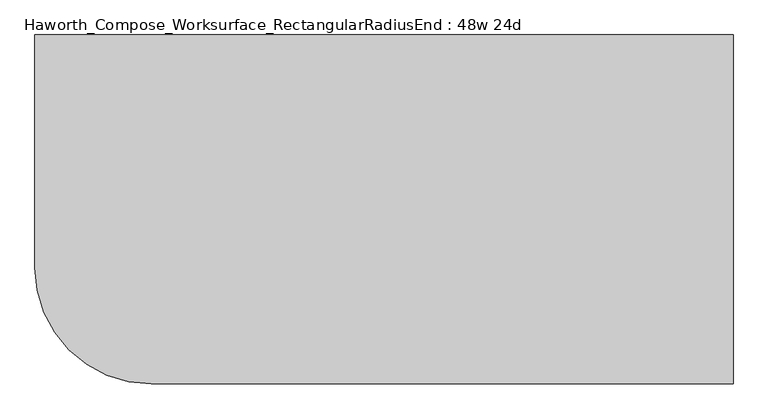
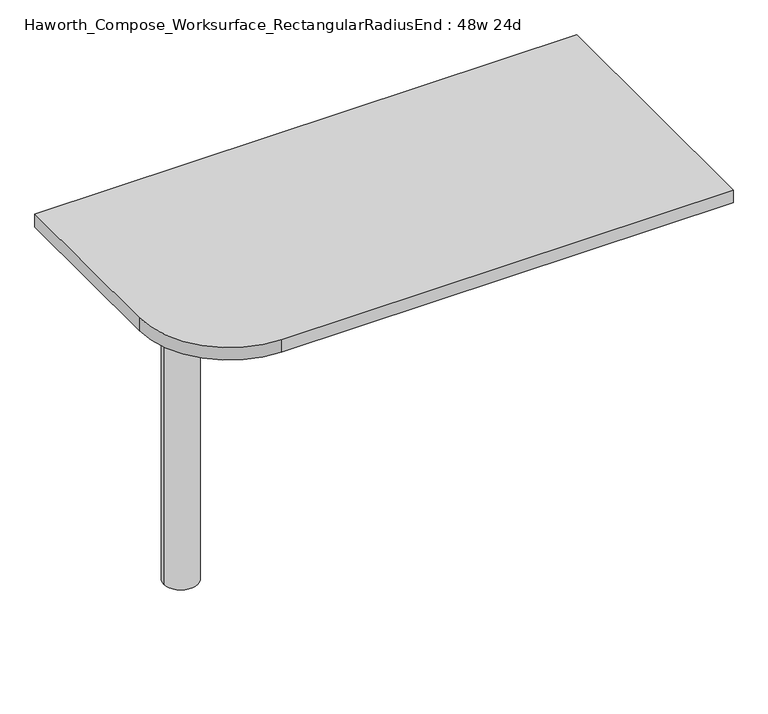
"""IFC4 building model written with IfcOpenShell, lengths in millimetres: furniture geometry, Haworth_Compose_Worksurface_RectangularRadiusEnd : 48w 24d."""

from ifc_helpers import new_model, si_unit, point, frame, frame_2d, origin, place, context, project, spatial, polyline, circle_curve, trimmed, segment, composite_curve, outline, extrude, source, transform, mapped, element, save
from ifc_brep_helpers import plane_surface, cylinder_surface, revolved_surface, advanced_brep


def haworth_compose_worksurface_rectangularradiusend_48w_24d_3b0e8874(model_context):
    return source(origin(), model_context, "Body", "SolidModel", [
        advanced_brep(
        [(604.04375, 304.8, 475.45625), (604.04375, 288.925, 475.45625), (604.04375, -101.6, 691.7192568), (604.04375, -101.6, 704.05625), (604.04375, 288.925, 704.05625), (604.04375, 304.8, 704.05625), (604.04375, 221.490072, 665.95625), (604.04375, 177.8355284, 665.95625), (604.04375, 175.1564235, 656.3705539), (604.04375, 266.8776173, 605.5776439), (604.04375, 276.225, 611.1756969), (604.04375, 276.225, 634.6860246), (604.04375, 274.4730055, 637.5242776), (604.04375, 224.5663437, 665.1613425), (606.425, 304.8, 475.45625), (606.425, 304.8, 704.05625), (606.425, 288.925, 704.05625), (606.425, 288.925, 706.4375), (606.425, -101.6, 706.4375), (606.425, -101.6, 691.7192568), (606.425, 288.925, 475.45625), (606.425, 221.490072, 665.95625), (606.425, 224.5663437, 665.1613425), (606.425, 274.4730055, 637.5242776), (606.425, 276.225, 634.6860246), (606.425, 276.225, 611.1756969), (606.425, 266.8776173, 605.5776439), (606.425, 175.1564235, 656.3705539), (606.425, 177.8355284, 665.95625), (565.15, -101.6, 706.4375), (565.15, -101.6, 704.05625), (565.15, 288.925, 704.05625), (565.15, 288.925, 706.4375)],
        [
            (0, 1),
            (1, 2),
            (2, 3),
            (3, 4),
            (4, 5),
            (5, 0),
            (6, 7),
            (7, 8, circle_curve(frame((604.04375, 177.8355284, 660.7890106), z_axis=(1.0, 0.0, 0.0), x_axis=(0.0, -1.0, 0.0)), 5.1672394)),
            (8, 9),
            (9, 10, circle_curve(frame((604.04375, 269.875, 611.1756969), z_axis=(1.0, 0.0, 0.0), x_axis=(0.0, -1.0, 0.0)), 6.35)),
            (10, 11),
            (11, 12, circle_curve(frame((604.04375, 273.05, 634.6860246), z_axis=(1.0, 0.0, 0.0), x_axis=(0.0, -1.0, 0.0)), 3.175)),
            (12, 13),
            (13, 6, circle_curve(frame((604.04375, 221.490072, 659.60625), z_axis=(1.0, 0.0, 0.0), x_axis=(0.0, -1.0, 0.0)), 6.35)),
            (14, 15),
            (15, 16),
            (16, 17),
            (17, 18),
            (18, 19),
            (19, 20),
            (20, 14),
            (21, 22, circle_curve(frame((606.425, 221.490072, 659.60625), z_axis=(-1.0, 0.0, 0.0), x_axis=(0.0, -1.0, 0.0)), 6.35)),
            (22, 23),
            (23, 24, circle_curve(frame((606.425, 273.05, 634.6860246), z_axis=(-1.0, 0.0, 0.0), x_axis=(0.0, -1.0, 0.0)), 3.175)),
            (24, 25),
            (25, 26, circle_curve(frame((606.425, 269.875, 611.1756969), z_axis=(-1.0, 0.0, 0.0), x_axis=(0.0, -1.0, 0.0)), 6.35)),
            (26, 27),
            (27, 28, circle_curve(frame((606.425, 177.8355284, 660.7890106), z_axis=(-1.0, 0.0, 0.0), x_axis=(0.0, -1.0, 0.0)), 5.1672394)),
            (28, 21),
            (4, 16),
            (15, 5),
            (14, 0),
            (20, 1),
            (19, 2),
            (18, 29),
            (29, 30),
            (30, 3),
            (6, 21),
            (28, 7),
            (9, 26),
            (25, 10),
            (24, 11),
            (23, 12),
            (27, 8),
            (31, 4),
            (30, 31),
            (32, 29),
            (17, 32),
            (31, 32),
            (22, 13),
        ],
        [
            plane_surface(frame((604.04375, 304.8, 475.45625), z_axis=(-1.0, 0.0, 0.0), x_axis=(0.0, 1.0, 0.0))),
            plane_surface(frame((606.425, 304.8, 475.45625), z_axis=(1.0, 0.0, 0.0), x_axis=(0.0, -1.0, 0.0))),
            plane_surface(frame((606.425, -101.6, 704.05625), z_axis=(0.0, 0.0, 1.0), x_axis=(-1.0, 0.0, 0.0))),
            plane_surface(frame((606.425, 304.8, 704.05625), z_axis=(0.0, 1.0, 0.0), x_axis=(-1.0, 0.0, 0.0))),
            plane_surface(frame((606.425, 304.8, 475.45625), z_axis=(0.0, 0.0, -1.0), x_axis=(-1.0, 0.0, 0.0))),
            plane_surface(frame((606.425, 288.925, 475.45625), z_axis=(0.0, -0.48445223513455843, -0.8748177135112952), x_axis=(-1.0, 0.0, 0.0))),
            plane_surface(frame((606.425, -101.6, 691.7192568), z_axis=(0.0, -1.0, 0.0), x_axis=(-1.0, 0.0, 0.0))),
            plane_surface(frame((606.425, 221.490072, 665.95625), z_axis=(0.0, 0.0, -1.0), x_axis=(-1.0, 0.0, 0.0))),
            revolved_surface(polyline([(604.04375, 263.525, 611.1756969), (606.425, 263.525, 611.1756969)]), (606.425, 269.875, 611.1756969), (-1.0, 0.0, 0.0)),
            plane_surface(frame((606.425, 276.225, 611.1756969), z_axis=(0.0, -1.0, 0.0), x_axis=(-1.0, 0.0, 0.0))),
            revolved_surface(polyline([(604.04375, 269.875, 634.6860246), (606.425, 269.875, 634.6860246)]), (606.425, 273.05, 634.6860246), (-1.0, 0.0, 0.0)),
            revolved_surface(polyline([(604.04375, 172.668289, 660.7890106), (606.425, 172.668289, 660.7890106)]), (606.425, 177.8355284, 660.7890106), (-1.0, 0.0, 0.0)),
            plane_surface(frame((606.425, 288.925, 704.05625), z_axis=(0.0, 0.0, -1.0), x_axis=(-1.0, 0.0, 0.0))),
            plane_surface(frame((606.425, 288.925, 706.4375), z_axis=(0.0, 0.0, 1.0), x_axis=(1.0, 0.0, 0.0))),
            plane_surface(frame((565.15, 288.925, 706.4375), z_axis=(0.0, 1.0, 0.0), x_axis=(0.0, 0.0, -1.0))),
            plane_surface(frame((565.15, -101.6, 706.4375), z_axis=(-1.0, 0.0, 0.0), x_axis=(0.0, 0.0, -1.0))),
            plane_surface(frame((606.425, 175.1564235, 656.3705539), z_axis=(0.0, 0.4844522351345583, 0.8748177135112953), x_axis=(-1.0, 0.0, 0.0))),
            plane_surface(frame((606.425, 274.4730055, 637.5242776), z_axis=(0.0, -0.4844522351345582, -0.8748177135112953), x_axis=(-1.0, 0.0, 0.0))),
            revolved_surface(polyline([(604.04375, 215.140072, 659.60625), (606.425, 215.140072, 659.60625)]), (606.425, 221.490072, 659.60625), (-1.0, 0.0, 0.0)),
        ],
        [
            (0, [[1, 2, 3, 4, 5, 6], [7, 8, 9, 10, 11, 12, 13, 14]]),
            (1, [[15, 16, 17, 18, 19, 20, 21], [22, 23, 24, 25, 26, 27, 28, 29]]),
            (2, [[-5, 30, -16, 31]]),
            (3, [[-31, -15, 32, -6]]),
            (4, [[-32, -21, 33, -1]]),
            (5, [[-33, -20, 34, -2]]),
            (6, [[-34, -19, 35, 36, 37, -3]]),
            (7, [[38, -29, 39, -7]]),
            (8, [[40, -26, 41, -10]]),
            (9, [[-41, -25, 42, -11]]),
            (10, [[-42, -24, 43, -12]]),
            (11, [[-39, -28, 44, -8]]),
            (12, [[45, -4, -37, 46]]),
            (13, [[47, -35, -18, 48]]),
            (14, [[-17, -30, -45, 49, -48]]),
            (15, [[-36, -47, -49, -46]]),
            (16, [[-44, -27, -40, -9]]),
            (17, [[-43, -23, 50, -13]]),
            (18, [[-50, -22, -38, -14]]),
        ],
    ),
        advanced_brep(
        [(-419.1, 0.0, 706.4375), (-495.3, 0.0, 706.4375), (-457.2, 0.0, 706.4375), (-419.1, 0.0, 0.0), (-495.3, 0.0, 0.0), (-457.2, 0.0, 0.0)],
        [
            (0, 1, circle_curve(frame((-457.2, 0.0, 706.4375), z_axis=(0.0, 0.0, 1.0), x_axis=(-1.0, 0.0, 0.0)), 38.1)),
            (1, 2),
            (2, 0),
            (1, 0, circle_curve(frame((-457.2, 0.0, 706.4375), z_axis=(0.0, 0.0, 1.0), x_axis=(-1.0, 0.0, 0.0)), 38.1)),
            (3, 4, circle_curve(frame((-457.2, 0.0, 0.0), z_axis=(0.0, 0.0, 1.0), x_axis=(-1.0, 0.0, 0.0)), 38.1)),
            (4, 1),
            (0, 3),
            (4, 3, circle_curve(frame((-457.2, 0.0, 0.0), z_axis=(0.0, 0.0, 1.0), x_axis=(-1.0, 0.0, 0.0)), 38.1)),
            (5, 4),
            (3, 5),
        ],
        [
            plane_surface(frame((-457.2, 0.0, 706.4375), z_axis=(0.0, 0.0, 1.0), x_axis=(-1.0, 0.0, 0.0))),
            cylinder_surface(frame((-457.2, 0.0, 889.623257), z_axis=(0.0, 0.0, -1.0), x_axis=(-1.0, 0.0, 0.0)), 38.1),
            plane_surface(frame((-457.2, 0.0, 0.0), z_axis=(0.0, 0.0, -1.0), x_axis=(-1.0, 0.0, 0.0))),
        ],
        [
            (0, [[1, 2, 3]]),
            (0, [[4, -3, -2]]),
            (1, [[5, 6, -1, 7]]),
            (1, [[8, -7, -4, -6]]),
            (2, [[9, -5, 10]]),
            (2, [[-10, -8, -9]]),
        ],
    ),
        extrude(outline(composite_curve([segment(polyline([(609.6, 304.8), (609.6, -304.8), (-406.4, -304.8)]), True, "CONTINUOUS"), segment(trimmed(circle_curve(frame_2d((-406.4, -101.6)), 203.2), [point((-406.4, -304.8))], [point((-609.6, -101.6))], False, "CARTESIAN"), True, "CONTINUOUS"), segment(polyline([(-609.6, -101.6), (-609.6, 304.8), (609.6, 304.8)]), True, "CONTINUOUS")], self_intersect=False)), frame((0.0, 0.0, 706.4375), z_axis=(0.0, 0.0, 1.0), x_axis=(1.0, 0.0, 0.0)), (0.0, 0.0, 1.0), 30.1625),
    ])


if __name__ == "__main__":
    model = new_model("IFC4")
    model_context = context("Model", 3, world=origin())
    ifc_project = project(units=[si_unit("LENGTHUNIT", "METRE", prefix="MILLI")], contexts=[model_context])
    site = spatial("IfcSite", under=ifc_project)
    building = spatial("IfcBuilding", under=site)
    placement = place(None, origin())
    haworth_compose_worksurface_rectangularradiusend_48w_24d_shape = haworth_compose_worksurface_rectangularradiusend_48w_24d_3b0e8874(model_context)
    element("IfcFurniture", 1, ObjectType="Haworth_Compose_Worksurface_RectangularRadiusEnd : 48w 24d", at=placement, inside=building, context=model_context, shape_type="MappedRepresentation", body=[
        mapped(haworth_compose_worksurface_rectangularradiusend_48w_24d_shape, transform((0.0, 0.0, 0.0), x_axis=(1.0, 0.0, 0.0), y_axis=(0.0, 1.0, 0.0), z_axis=(0.0, 0.0, 1.0))),
    ])
    save(model, "model.ifc")
